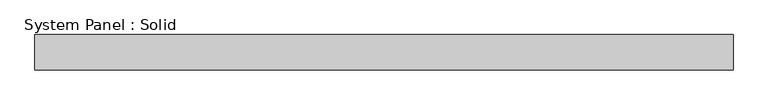
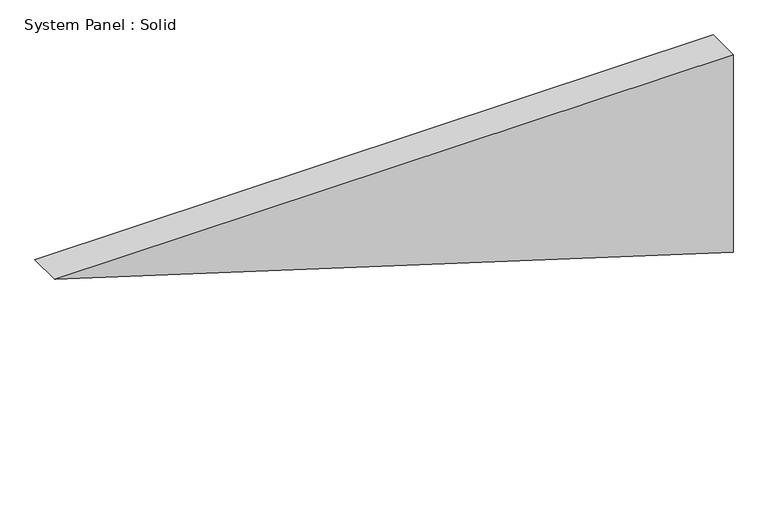
"""IFC4 building model written with IfcOpenShell, lengths in millimetres: plate geometry, System Panel : Solid."""

from ifc_helpers import new_model, si_unit, frame, origin, place, context, project, spatial, polyline, outline, extrude, source, transform, mapped, element, save


def system_panel_solid_52a11cb0(model_context):
    return source(origin(), model_context, "Body", "SweptSolid", [
        extrude(outline(polyline([(364.1577393, -591.5078627), (0.0, 591.5078627), (364.1577393, 591.5078627), (364.1577393, -591.5078627)])), frame((0.0, -10.5, 0.0), z_axis=(0.0, 1.0, 0.0), x_axis=(0.0, 0.0, 1.0)), (0.0, 0.0, 1.0), 60.0),
    ])


if __name__ == "__main__":
    model = new_model("IFC4")
    model_context = context("Model", 3, world=origin())
    ifc_project = project(units=[si_unit("LENGTHUNIT", "METRE", prefix="MILLI")], contexts=[model_context])
    site = spatial("IfcSite", under=ifc_project)
    building = spatial("IfcBuilding", under=site)
    placement = place(None, origin())
    system_panel_solid_shape = system_panel_solid_52a11cb0(model_context)
    element("IfcPlate", 1, ObjectType="System Panel : Solid", at=placement, inside=building, context=model_context, shape_type="MappedRepresentation", body=[
        mapped(system_panel_solid_shape, transform((0.0, 0.0, 0.0), x_axis=(1.0, 0.0, 0.0), y_axis=(0.0, 1.0, 0.0), z_axis=(0.0, 0.0, 1.0))),
    ])
    save(model, "model.ifc")
